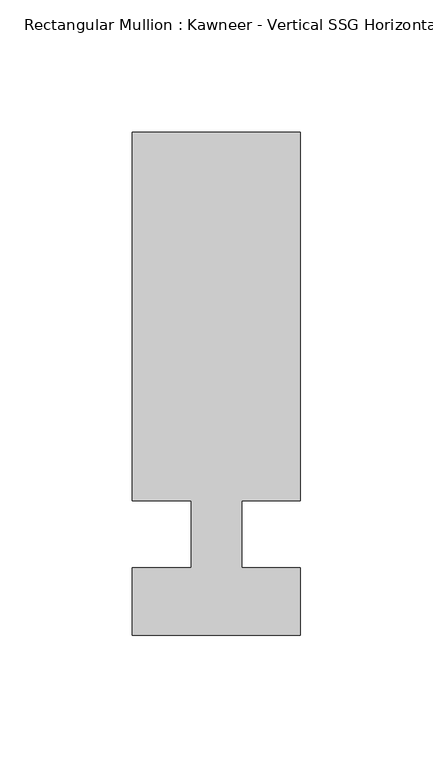
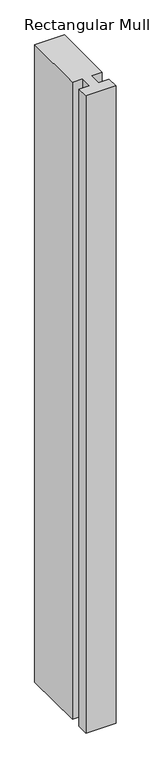
"""IFC4 building model written with IfcOpenShell, lengths in millimetres: member geometry."""

from ifc_helpers import new_model, si_unit, frame, origin, place, context, project, spatial, polyline, outline, extrude, source, transform, mapped, element, save


def member_8289b3eb(model_context):
    return source(origin(), model_context, "Body", "SweptSolid", [
        extrude(outline(polyline([(-9.525, -12.7), (-9.525, 12.7), (-31.75, 12.7), (-31.75, 151.892), (31.75, 151.892), (31.75, 12.7), (9.5251132, 12.7), (9.5251132, -12.7), (31.75, -12.7), (31.75, -38.1), (-31.75, -38.1), (-31.75, -12.7), (-9.525, -12.7)])), frame((0.0, 0.0, -1437.1931847), z_axis=(0.0, 0.0, 1.0), x_axis=(1.0, 0.0, 0.0)), (0.0, 0.0, 1.0), 1437.1931847),
    ])


if __name__ == "__main__":
    model = new_model("IFC4")
    model_context = context("Model", 3, world=origin())
    ifc_project = project(units=[si_unit("LENGTHUNIT", "METRE", prefix="MILLI")], contexts=[model_context])
    site = spatial("IfcSite", under=ifc_project)
    building = spatial("IfcBuilding", under=site)
    placement = place(None, origin())
    member_shape = member_8289b3eb(model_context)
    element("IfcMember", 1, ObjectType="Rectangular Mullion : Kawneer - Vertical SSG Horizontal Mullion - 7 1/2\"", at=placement, inside=building, context=model_context, shape_type="MappedRepresentation", body=[
        mapped(member_shape, transform((0.0, 0.0, 0.0), x_axis=(1.0, 0.0, 0.0), y_axis=(0.0, 1.0, 0.0), z_axis=(0.0, 0.0, 1.0))),
    ])
    save(model, "model.ifc")
